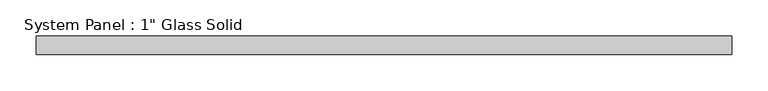
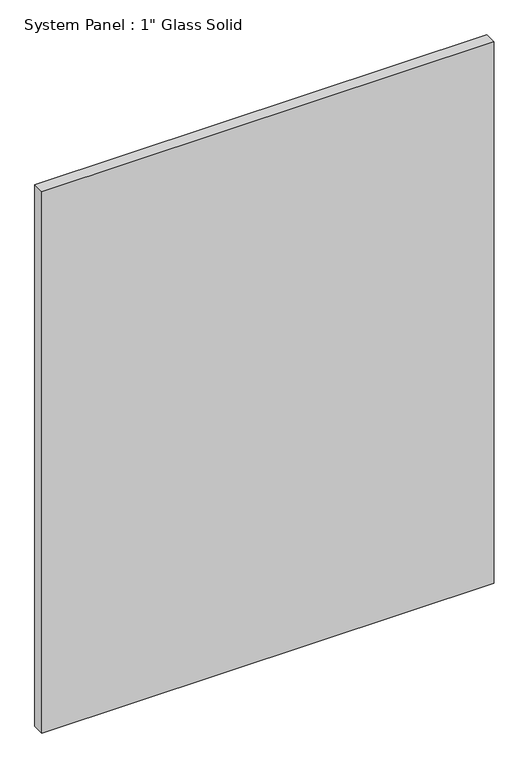
"""IFC4 building model written with IfcOpenShell, lengths in millimetres: plate geometry."""

from ifc_helpers import new_model, si_unit, origin, origin_with_axes, place, context, project, spatial, polyline, outline, extrude, source, transform, mapped, element, save


def plate_4f9d0aae(model_context):
    return source(origin(), model_context, "Body", "SweptSolid", [
        extrude(outline(polyline([(479.4258852, -12.7), (-479.4258852, -12.7), (-479.4258852, 12.7), (479.4258852, 12.7), (479.4258852, -12.7)])), origin_with_axes(), (0.0, 0.0, 1.0), 1212.85),
    ])


if __name__ == "__main__":
    model = new_model("IFC4")
    model_context = context("Model", 3, world=origin())
    ifc_project = project(units=[si_unit("LENGTHUNIT", "METRE", prefix="MILLI")], contexts=[model_context])
    site = spatial("IfcSite", under=ifc_project)
    building = spatial("IfcBuilding", under=site)
    placement = place(None, origin())
    plate_shape = plate_4f9d0aae(model_context)
    element("IfcPlate", 1, ObjectType="System Panel : 1\" Glass Solid", at=placement, inside=building, context=model_context, shape_type="MappedRepresentation", body=[
        mapped(plate_shape, transform((0.0, 0.0, 0.0), x_axis=(1.0, 0.0, 0.0), y_axis=(0.0, 1.0, 0.0), z_axis=(0.0, 0.0, 1.0))),
    ])
    save(model, "model.ifc")
